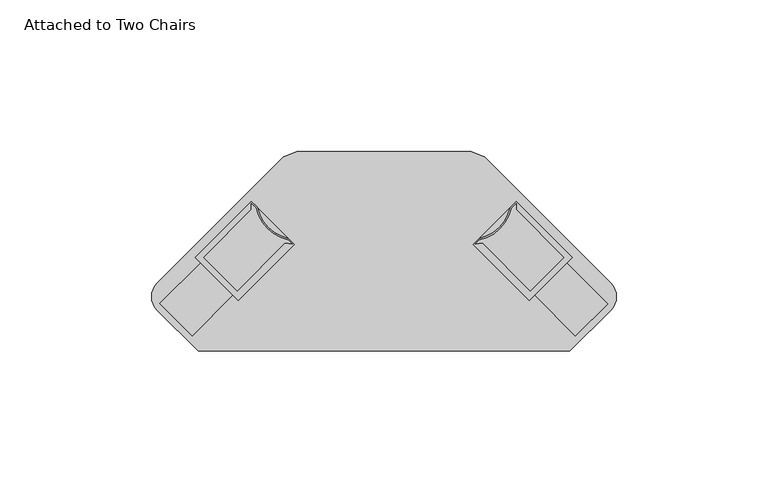
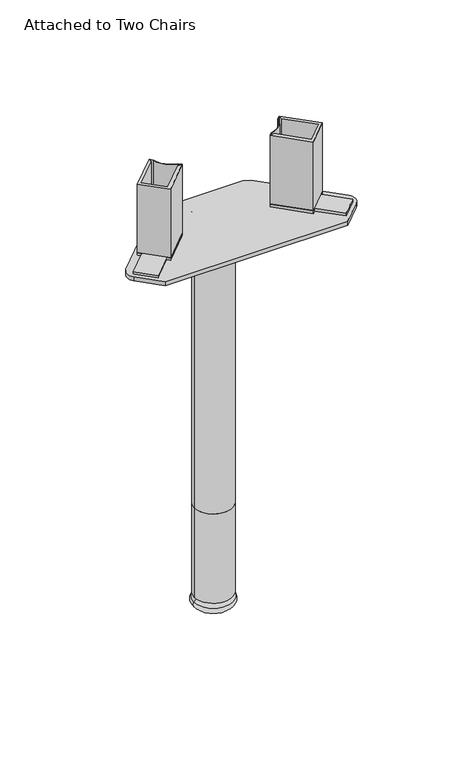
"""IFC4 building model written with IfcOpenShell, lengths in millimetres: furniture geometry, Attached to Two Chairs."""

from ifc_helpers import new_model, si_unit, point, frame, frame_2d, origin, place, context, project, spatial, polyline, circle_curve, ellipse_curve, trimmed, segment, composite_curve, outline, extrude, faceted_brep, source, transform, mapped, element, save
from ifc_brep_helpers import plane_surface, cylinder_surface, revolved_surface, advanced_brep


def attached_to_two_chairs_8620be54(model_context):
    return source(origin(), model_context, "Body", "SolidModel", [
        advanced_brep(
        [(12.6999992, -28.5643642, 276.2746745), (-12.6999992, -28.5643642, 276.2746745), (0.0, -28.5643642, 276.2746745), (12.6999992, -28.5643642, 70.9421996), (-12.6999992, -28.5643642, 70.9421996), (0.0, -28.5643642, 70.9421996)],
        [
            (0, 1, circle_curve(frame((0.0, -28.5643642, 276.2746745), z_axis=(0.0, 0.0, 1.0), x_axis=(-1.0, 0.0, 0.0)), 12.6999992)),
            (1, 2),
            (2, 0),
            (1, 0, circle_curve(frame((0.0, -28.5643642, 276.2746745), z_axis=(0.0, 0.0, 1.0), x_axis=(-1.0, 0.0, 0.0)), 12.6999992)),
            (3, 4, circle_curve(frame((0.0, -28.5643642, 70.9421996), z_axis=(0.0, 0.0, 1.0), x_axis=(-1.0, 0.0, 0.0)), 12.6999992)),
            (4, 1),
            (0, 3),
            (4, 3, circle_curve(frame((0.0, -28.5643642, 70.9421996), z_axis=(0.0, 0.0, 1.0), x_axis=(-1.0, 0.0, 0.0)), 12.6999992)),
            (5, 4),
            (3, 5),
        ],
        [
            plane_surface(frame((0.0, -28.5643642, 276.2746745), z_axis=(0.0, 0.0, 1.0), x_axis=(-1.0, 0.0, 0.0))),
            cylinder_surface(frame((0.0, -28.5643642, 70.9421996), z_axis=(0.0, 0.0, -1.0), x_axis=(-1.0, 0.0, 0.0)), 12.6999992),
            plane_surface(frame((0.0, -28.5643642, 70.9421996), z_axis=(0.0, 0.0, -1.0), x_axis=(-1.0, 0.0, 0.0))),
        ],
        [
            (0, [[1, 2, 3]]),
            (0, [[4, -3, -2]]),
            (1, [[5, 6, -1, 7]]),
            (1, [[8, -7, -4, -6]]),
            (2, [[9, -5, 10]]),
            (2, [[-10, -8, -9]]),
        ],
    ),
        faceted_brep([(62.0864808, -48.0944836, 281.1780044), (43.6051143, -29.6131171, 281.1780044), (37.0381205, -36.1801042, 281.1780044), (29.4163092, -43.8019222, 281.1780044), (47.8725182, -62.2581312, 281.1780044), (49.6685705, -60.462079, 281.1780044), (63.164113, -73.9576215, 281.1780044), (73.7608136, -63.3609209, 281.1780044), (60.2904285, -49.8905358, 281.1780044), (62.0864808, -48.0944836, 279.2729971), (60.2904285, -49.8905358, 279.2729971), (73.7608136, -63.3609209, 279.2729971), (63.164113, -73.9576215, 279.2729971), (49.6685705, -60.462079, 279.2729971), (47.8725182, -62.2581312, 279.2729971), (29.4163092, -43.8019222, 279.2729971), (37.03812, -36.1801037, 279.2729971), (43.6051143, -29.6131171, 279.2729971)], [[[0, 1, 2, 3, 4, 5, 6, 7, 8]], [[9, 10, 11, 12, 13, 14, 15, 16, 17]], [[0, 8, 10, 9]], [[8, 7, 11, 10]], [[7, 6, 12, 11]], [[6, 5, 13, 12]], [[5, 4, 14, 13]], [[4, 3, 15, 14]], [[3, 2, 16, 15]], [[2, 1, 17, 16]], [[1, 0, 9, 17]]]),
        extrude(outline(composite_curve([segment(polyline([(62.0613233, -48.0693261), (47.8725182, -62.2581312), (29.4163092, -43.8019222), (31.3600668, -41.8581646)]), True, "CONTINUOUS"), segment(trimmed(circle_curve(frame_2d((28.4217728, -28.6074976)), 13.5725365), [point((31.3600668, -41.8581646))], [point((41.6724398, -31.5457916))], True, "CARTESIAN"), True, "CONTINUOUS"), segment(polyline([(41.6724398, -31.5457916), (43.6051143, -29.6131171), (62.0613233, -48.0693261)]), True, "CONTINUOUS")], self_intersect=False), holes=[composite_curve([segment(polyline([(43.6001682, -32.3022471), (43.6039091, -30.2683674), (42.1544943, -31.7177822)]), True, "CONTINUOUS"), segment(trimmed(circle_curve(frame_2d((28.4217728, -28.6074976)), 14.0805365), [point((42.1544943, -31.7177822))], [point((31.4700428, -42.3541175))], False, "CARTESIAN"), True, "CONTINUOUS"), segment(polyline([(31.4700428, -42.3541175), (30.1339292, -43.6902311), (32.5246315, -43.3181399), (48.3215279, -59.1150409), (59.3672449, -48.0693239), (43.6001682, -32.3022471)]), True, "CONTINUOUS")], self_intersect=False)]), frame((0.0, 0.0, 281.1780044), z_axis=(0.0, 0.0, 1.0), x_axis=(1.0, 0.0, 0.0)), (0.0, 0.0, 1.0), 48.8949806),
        extrude(outline(composite_curve([segment(polyline([(61.3563884, -78.9706612), (-61.3563884, -78.9706612), (-74.826773, -65.5002811)]), True, "CONTINUOUS"), segment(trimmed(circle_curve(frame_2d((-70.3366457, -61.0101523)), 6.35), [point((-74.826773, -65.5002811))], [point((-74.8267739, -56.5200243))], False, "CARTESIAN"), True, "CONTINUOUS"), segment(polyline([(-74.8267739, -56.5200243), (-33.2302278, -14.923477), (-28.7400994, -13.0636058), (28.7400994, -13.0636058), (33.2302278, -14.923477), (74.8267739, -56.5200243)]), True, "CONTINUOUS"), segment(trimmed(circle_curve(frame_2d((70.3366457, -61.0101523)), 6.35), [point((74.8267739, -56.5200243))], [point((74.826773, -65.5002811))], False, "CARTESIAN"), True, "CONTINUOUS"), segment(polyline([(74.826773, -65.5002811), (61.3563884, -78.9706612)]), True, "CONTINUOUS")], self_intersect=False)), frame((0.0, 0.0, 276.3598028), z_axis=(0.0, 0.0, 1.0), x_axis=(1.0, 0.0, 0.0)), (0.0, 0.0, 1.0), 2.9131943),
        advanced_brep(
        [(12.6999992, -28.5635384, 70.9421996), (-12.6999992, -28.5635384, 70.9421996), (0.0, -28.5635384, 70.9421996), (12.6999992, -28.5635384, 7.4421999), (-12.6999992, -28.5635384, 7.4421999), (9.8236895, -28.5635384, 7.4421999), (-9.8236895, -28.5635384, 7.4421999), (13.0272821, -28.5635384, 4.1308705), (-13.0272821, -28.5635384, 4.1308705), (11.2760686, -28.5635384, 0.0), (-11.2760686, -28.5635384, 0.0), (0.0, -28.5635384, 0.0)],
        [
            (0, 1, circle_curve(frame((0.0, -28.5635384, 70.9421996), z_axis=(0.0, 0.0, 1.0), x_axis=(-1.0, 0.0, 0.0)), 12.6999992)),
            (1, 2),
            (2, 0),
            (1, 0, circle_curve(frame((0.0, -28.5635384, 70.9421996), z_axis=(0.0, 0.0, 1.0), x_axis=(-1.0, 0.0, 0.0)), 12.6999992)),
            (3, 4, circle_curve(frame((0.0, -28.5635384, 7.4421999), z_axis=(0.0, 0.0, 1.0), x_axis=(-1.0, 0.0, 0.0)), 12.6999992)),
            (4, 1),
            (0, 3),
            (4, 3, circle_curve(frame((0.0, -28.5635384, 7.4421999), z_axis=(0.0, 0.0, 1.0), x_axis=(-1.0, 0.0, 0.0)), 12.6999992)),
            (5, 6, circle_curve(frame((0.0, -28.5635384, 7.4421999), z_axis=(0.0, 0.0, 1.0), x_axis=(-1.0, 0.0, 0.0)), 9.8236895)),
            (6, 4),
            (3, 5),
            (6, 5, circle_curve(frame((0.0, -28.5635384, 7.4421999), z_axis=(0.0, 0.0, 1.0), x_axis=(-1.0, 0.0, 0.0)), 9.8236895)),
            (7, 8, circle_curve(frame((0.0, -28.5635384, 4.1308705), z_axis=(0.0, 0.0, 1.0), x_axis=(-1.0, 0.0, 0.0)), 13.0272821)),
            (8, 6),
            (5, 7),
            (8, 7, circle_curve(frame((0.0, -28.5635384, 4.1308705), z_axis=(0.0, 0.0, 1.0), x_axis=(-1.0, 0.0, 0.0)), 13.0272821)),
            (9, 10, circle_curve(frame((0.0, -28.5635384, 0.0), z_axis=(0.0, 0.0, 1.0), x_axis=(-1.0, 0.0, 0.0)), 11.2760686)),
            (10, 8, circle_curve(frame((-11.2760686, -28.5635384, 2.4366341), z_axis=(0.0, 1.0, 0.0), x_axis=(1.0, 0.0, 0.0)), 2.4366341)),
            (7, 9, circle_curve(frame((11.2760686, -28.5635384, 2.4366341), z_axis=(0.0, 1.0, 0.0), x_axis=(-1.0, 0.0, 0.0)), 2.4366341)),
            (10, 9, circle_curve(frame((0.0, -28.5635384, 0.0), z_axis=(0.0, 0.0, 1.0), x_axis=(-1.0, 0.0, 0.0)), 11.2760686)),
            (11, 10),
            (9, 11),
        ],
        [
            plane_surface(frame((0.0, -28.5635384, 70.9421996), z_axis=(0.0, 0.0, 1.0), x_axis=(-1.0, 0.0, 0.0))),
            cylinder_surface(frame((0.0, -28.5635384, 70.9421996), z_axis=(0.0, 0.0, -1.0), x_axis=(-1.0, 0.0, 0.0)), 12.6999992),
            plane_surface(frame((0.0, -28.5635384, 7.4421999), z_axis=(0.0, 0.0, -1.0), x_axis=(-1.0, 0.0, 0.0))),
            revolved_surface(polyline([(-9.8236895, -28.5635384, 7.4421999), (-13.0272821, -28.5635384, 4.1308705)]), (0.0, -28.5635384, 70.9421996), (0.0, 0.0, -1.0)),
            revolved_surface(trimmed(ellipse_curve(frame((-11.2760686, -28.5635384, 2.4366341), z_axis=(0.0, -1.0, 0.0), x_axis=(1.0, 0.0, 0.0)), 2.4366341, 2.4366341), [point((-13.0272821, -28.5635384, 4.1308705))], [point((-11.2760686, -28.5635384, 0.0))], True, "CARTESIAN"), (0.0, -28.5635384, 70.9421996), (0.0, 0.0, -1.0)),
            plane_surface(frame((0.0, -28.5635384, 0.0), z_axis=(0.0, 0.0, -1.0), x_axis=(-1.0, 0.0, 0.0))),
        ],
        [
            (0, [[1, 2, 3]]),
            (0, [[4, -3, -2]]),
            (1, [[5, 6, -1, 7]]),
            (1, [[8, -7, -4, -6]]),
            (2, [[9, 10, -5, 11]]),
            (2, [[12, -11, -8, -10]]),
            (3, [[13, 14, -9, 15]]),
            (3, [[16, -15, -12, -14]]),
            (4, [[17, 18, -13, 19]]),
            (4, [[20, -19, -16, -18]]),
            (5, [[21, -17, 22]]),
            (5, [[-22, -20, -21]]),
        ],
    ),
        faceted_brep([(-62.2401553, -48.0513502, 281.1780044), (-60.4441031, -49.8474025, 281.1780044), (-73.9144882, -63.3177876, 281.1780044), (-63.3177876, -73.9144882, 281.1780044), (-49.8222451, -60.4189456, 281.1780044), (-48.0261928, -62.2149979, 281.1780044), (-29.5699838, -43.7587889, 281.1780044), (-37.1917946, -36.1369704, 281.1780044), (-43.7587889, -29.5699838, 281.1780044), (-62.2401553, -48.0513502, 279.2729971), (-43.7587889, -29.5699838, 279.2729971), (-37.1917951, -36.1369709, 279.2729971), (-29.5699838, -43.7587889, 279.2729971), (-48.0261928, -62.2149979, 279.2729971), (-49.8222451, -60.4189456, 279.2729971), (-63.3177876, -73.9144882, 279.2729971), (-73.9144882, -63.3177876, 279.2729971), (-60.4441031, -49.8474025, 279.2729971)], [[[0, 1, 2, 3, 4, 5, 6, 7, 8]], [[9, 10, 11, 12, 13, 14, 15, 16, 17]], [[1, 0, 9, 17]], [[2, 1, 17, 16]], [[3, 2, 16, 15]], [[4, 3, 15, 14]], [[5, 4, 14, 13]], [[6, 5, 13, 12]], [[7, 6, 12, 11]], [[8, 7, 11, 10]], [[0, 8, 10, 9]]]),
        extrude(outline(composite_curve([segment(polyline([(-62.2149979, -48.0261928), (-43.7587889, -29.5699838), (-41.8261144, -31.5026583)]), True, "CONTINUOUS"), segment(trimmed(circle_curve(frame_2d((-28.5754474, -28.5643642)), 13.5725365), [point((-41.8261144, -31.5026583))], [point((-31.5137414, -41.8150312))], True, "CARTESIAN"), True, "CONTINUOUS"), segment(polyline([(-31.5137414, -41.8150312), (-29.5699838, -43.7587889), (-48.0261928, -62.2149979), (-62.2149979, -48.0261928)]), True, "CONTINUOUS")], self_intersect=False), holes=[composite_curve([segment(polyline([(-43.7538428, -32.2591138), (-59.5209195, -48.0261905), (-48.4752025, -59.0719076), (-32.678306, -43.2750066), (-30.2876037, -43.6470978), (-31.6237174, -42.3109841)]), True, "CONTINUOUS"), segment(trimmed(circle_curve(frame_2d((-28.5754474, -28.5643642)), 14.0805365), [point((-31.6237174, -42.3109841))], [point((-42.3081688, -31.6746489))], False, "CARTESIAN"), True, "CONTINUOUS"), segment(polyline([(-42.3081688, -31.6746489), (-43.7575837, -30.225234), (-43.7538428, -32.2591138)]), True, "CONTINUOUS")], self_intersect=False)]), frame((0.0, 0.0, 281.1780044), z_axis=(0.0, 0.0, 1.0), x_axis=(1.0, 0.0, 0.0)), (0.0, 0.0, 1.0), 48.8949806),
    ])


if __name__ == "__main__":
    model = new_model("IFC4")
    model_context = context("Model", 3, world=origin())
    ifc_project = project(units=[si_unit("LENGTHUNIT", "METRE", prefix="MILLI")], contexts=[model_context])
    site = spatial("IfcSite", under=ifc_project)
    building = spatial("IfcBuilding", under=site)
    placement = place(None, origin())
    attached_to_two_chairs_shape = attached_to_two_chairs_8620be54(model_context)
    element("IfcFurniture", 1, ObjectType="Attached to Two Chairs", at=placement, inside=building, context=model_context, shape_type="MappedRepresentation", body=[
        mapped(attached_to_two_chairs_shape, transform((0.0, 0.0, 0.0), x_axis=(1.0, 0.0, 0.0), y_axis=(0.0, 1.0, 0.0), z_axis=(0.0, 0.0, 1.0))),
    ])
    save(model, "model.ifc")
